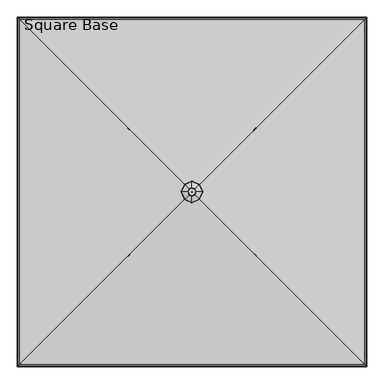
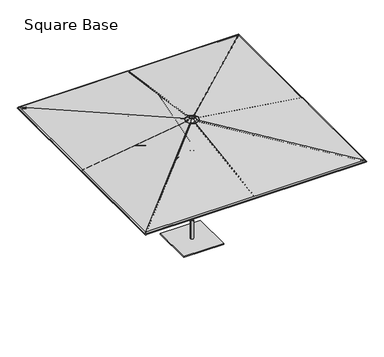
"""IFC4 building model written with IfcOpenShell, lengths in millimetres: furniture geometry, Square Base."""

from ifc_helpers import new_model, si_unit, point, frame, frame_2d, origin, origin_with_axes, place, context, project, spatial, polyline, circle_curve, ellipse_curve, trimmed, segment, composite_curve, outline, extrude, source, transform, mapped, element, save
from ifc_brep_helpers import plane_surface, cylinder_surface, revolved_surface, advanced_brep


def square_base_e6a05504(model_context):
    return source(origin(), model_context, "Body", "SolidModel", [
        extrude(outline(composite_curve([segment(polyline([(12.9834408, -8.4804821), (12.9834408, -22.8946349)]), True, "CONTINUOUS"), segment(trimmed(circle_curve(frame_2d((4.0299408, -22.8946349)), 8.9535), [point((12.9834408, -22.8946349))], [point((-4.9235592, -22.8946349))], False, "CARTESIAN"), True, "CONTINUOUS"), segment(polyline([(-4.9235592, -22.8946349), (-4.9235592, -8.4804821)]), True, "CONTINUOUS"), segment(trimmed(circle_curve(frame_2d((4.0299408, -8.4804821)), 8.9535), [point((-4.9235592, -8.4804821))], [point((12.9834408, -8.4804821))], False, "CARTESIAN"), True, "CONTINUOUS")], self_intersect=False)), frame((4.0299408, -69.1305274, 2310.8920368), z_axis=(0.0, -0.9563047559630357, 0.2923717047227364), x_axis=(-1.0, 0.0, 0.0)), (0.0, 0.0, 1.0), 1293.3560002),
        extrude(outline(composite_curve([segment(polyline([(12.9834408, -8.4804821), (12.9834408, -22.8946349)]), True, "CONTINUOUS"), segment(trimmed(circle_curve(frame_2d((4.0299408, -22.8946349)), 8.9535), [point((12.9834408, -22.8946349))], [point((-4.9235592, -22.8946349))], False, "CARTESIAN"), True, "CONTINUOUS"), segment(polyline([(-4.9235592, -22.8946349), (-4.9235592, -8.4804821)]), True, "CONTINUOUS"), segment(trimmed(circle_curve(frame_2d((4.0299408, -8.4804821)), 8.9535), [point((-4.9235592, -8.4804821))], [point((12.9834408, -8.4804821))], False, "CARTESIAN"), True, "CONTINUOUS")], self_intersect=False)), frame((-65.1005867, -8.0598816, 2310.8920368), z_axis=(-0.9563047559630357, 0.0, 0.2923717047227364), x_axis=(0.0, 1.0, 0.0)), (0.0, 0.0, 1.0), 1293.3560002),
        extrude(outline(composite_curve([segment(polyline([(12.9834408, -8.4804821), (12.9834408, -22.8946349)]), True, "CONTINUOUS"), segment(trimmed(circle_curve(frame_2d((4.0299408, -22.8946349)), 8.9535), [point((12.9834408, -22.8946349))], [point((-4.9235592, -22.8946349))], False, "CARTESIAN"), True, "CONTINUOUS"), segment(polyline([(-4.9235592, -22.8946349), (-4.9235592, -8.4804821)]), True, "CONTINUOUS"), segment(trimmed(circle_curve(frame_2d((4.0299408, -8.4804821)), 8.9535), [point((-4.9235592, -8.4804821))], [point((12.9834408, -8.4804821))], False, "CARTESIAN"), True, "CONTINUOUS")], self_intersect=False)), frame((-4.0299408, 61.0706459, 2310.8920368), z_axis=(0.0, 0.9563047559630357, 0.2923717047227364), x_axis=(1.0, 0.0, 0.0)), (0.0, 0.0, 1.0), 1293.3560002),
        extrude(outline(composite_curve([segment(trimmed(circle_curve(frame_2d((4.0299408, 7.3267917)), 8.9535), [point((12.9834408, 7.3267917))], [point((-4.9235592, 7.3267917))], False, "CARTESIAN"), True, "CONTINUOUS"), segment(polyline([(-4.9235592, 7.3267917), (-4.9235592, 21.7411303)]), True, "CONTINUOUS"), segment(trimmed(circle_curve(frame_2d((4.0299408, 21.7411303)), 8.9535), [point((-4.9235592, 21.7411303))], [point((12.9834408, 21.7411303))], False, "CARTESIAN"), True, "CONTINUOUS"), segment(polyline([(12.9834408, 21.7411303), (12.9834408, 7.3267917)]), True, "CONTINUOUS")], self_intersect=False)), frame((4.0299408, -2495.6912054, 2517.1977127), z_axis=(0.0, 0.9897424604574476, 0.14286308819158905), x_axis=(-1.0, 0.0, 0.0)), (0.0, 0.0, 1.0), 2438.4),
        extrude(outline(composite_curve([segment(trimmed(circle_curve(frame_2d((4.0299408, 7.3267917)), 8.9535), [point((12.9834408, 7.3267917))], [point((-4.9235592, 7.3267917))], False, "CARTESIAN"), True, "CONTINUOUS"), segment(polyline([(-4.9235592, 7.3267917), (-4.9235592, 21.7411303)]), True, "CONTINUOUS"), segment(trimmed(circle_curve(frame_2d((4.0299408, 21.7411303)), 8.9535), [point((-4.9235592, 21.7411303))], [point((12.9834408, 21.7411303))], False, "CARTESIAN"), True, "CONTINUOUS"), segment(polyline([(12.9834408, 21.7411303), (12.9834408, 7.3267917)]), True, "CONTINUOUS")], self_intersect=False)), frame((-2491.6612646, -8.0598816, 2517.1977127), z_axis=(0.9897424604574476, 0.0, 0.14286308819158905), x_axis=(0.0, 1.0, 0.0)), (0.0, 0.0, 1.0), 2438.4),
        extrude(outline(composite_curve([segment(trimmed(circle_curve(frame_2d((4.0299408, 7.3267917)), 8.9535), [point((12.9834408, 7.3267917))], [point((-4.9235592, 7.3267917))], False, "CARTESIAN"), True, "CONTINUOUS"), segment(polyline([(-4.9235592, 7.3267917), (-4.9235592, 21.7411303)]), True, "CONTINUOUS"), segment(trimmed(circle_curve(frame_2d((4.0299408, 21.7411303)), 8.9535), [point((-4.9235592, 21.7411303))], [point((12.9834408, 21.7411303))], False, "CARTESIAN"), True, "CONTINUOUS"), segment(polyline([(12.9834408, 21.7411303), (12.9834408, 7.3267917)]), True, "CONTINUOUS")], self_intersect=False)), frame((-4.0299408, 2487.6313238, 2517.1977127), z_axis=(0.0, -0.9897424604574476, 0.14286308819158905), x_axis=(1.0, 0.0, 0.0)), (0.0, 0.0, 1.0), 2438.4),
        extrude(outline(composite_curve([segment(trimmed(circle_curve(frame_2d((4.0299408, 7.3267917)), 8.9535), [point((12.9834408, 7.3267917))], [point((-4.9235592, 7.3267917))], False, "CARTESIAN"), True, "CONTINUOUS"), segment(polyline([(-4.9235592, 7.3267917), (-4.9235592, 21.7411303)]), True, "CONTINUOUS"), segment(trimmed(circle_curve(frame_2d((4.0299408, 21.7411303)), 8.9535), [point((-4.9235592, 21.7411303))], [point((12.9834408, 21.7411303))], False, "CARTESIAN"), True, "CONTINUOUS"), segment(polyline([(12.9834408, 21.7411303), (12.9834408, 7.3267917)]), True, "CONTINUOUS")], self_intersect=False)), frame((2491.6612646, 0.0, 2517.1977127), z_axis=(-0.9897424604574476, 0.0, 0.14286308819158905), x_axis=(0.0, -1.0, 0.0)), (0.0, 0.0, 1.0), 2438.4),
        extrude(outline(composite_curve([segment(polyline([(12.9834408, -8.4804821), (12.9834408, -22.8946349)]), True, "CONTINUOUS"), segment(trimmed(circle_curve(frame_2d((4.0299408, -22.8946349)), 8.9535), [point((12.9834408, -22.8946349))], [point((-4.9235592, -22.8946349))], False, "CARTESIAN"), True, "CONTINUOUS"), segment(polyline([(-4.9235592, -22.8946349), (-4.9235592, -8.4804821)]), True, "CONTINUOUS"), segment(trimmed(circle_curve(frame_2d((4.0299408, -8.4804821)), 8.9535), [point((-4.9235592, -8.4804821))], [point((12.9834408, -8.4804821))], False, "CARTESIAN"), True, "CONTINUOUS")], self_intersect=False)), frame((65.1005867, 0.0, 2310.8920368), z_axis=(0.9563047559630357, 0.0, 0.2923717047227364), x_axis=(0.0, -1.0, 0.0)), (0.0, 0.0, 1.0), 1293.3560002),
        extrude(outline(composite_curve([segment(trimmed(circle_curve(frame_2d((-0.4115857, 9.2017124)), 8.947892), [point((8.536306, 9.1998753))], [point((-9.3594776, 9.2035513))], False, "CARTESIAN"), True, "CONTINUOUS"), segment(polyline([(-9.3594776, 9.2035513), (-9.3566119, 23.1461249)]), True, "CONTINUOUS"), segment(trimmed(circle_curve(frame_2d((-0.4087215, 23.1461249)), 8.9478905), [point((-9.3566119, 23.1461249))], [point((8.539169, 23.1457573))], False, "CARTESIAN"), True, "CONTINUOUS"), segment(polyline([(8.539169, 23.1457573), (8.536306, 9.1998753)]), True, "CONTINUOUS")], self_intersect=False)), frame((43.0226256, -47.0678655, 2309.5293051), z_axis=(0.6687574107704106, -0.6689952252123499, 0.3243592363148204), x_axis=(0.7072324735233253, 0.7069810665032544, 0.0)), (0.0, 0.0, 1.0), 1323.4039678),
        extrude(outline(composite_curve([segment(trimmed(circle_curve(frame_2d((-0.4115857, 9.2017124)), 8.947892), [point((8.536306, 9.1998755))], [point((-9.3594774, 9.2035514))], False, "CARTESIAN"), True, "CONTINUOUS"), segment(polyline([(-9.3594774, 9.2035514), (-9.3566116, 23.1461249)]), True, "CONTINUOUS"), segment(trimmed(circle_curve(frame_2d((-0.4087214, 23.1461249)), 8.9478901), [point((-9.3566116, 23.1461249))], [point((8.5391687, 23.1457573))], False, "CARTESIAN"), True, "CONTINUOUS"), segment(polyline([(8.5391687, 23.1457573), (8.536306, 9.1998755)]), True, "CONTINUOUS")], self_intersect=False)), frame((-43.0379247, -47.0525663, 2309.5293051), z_axis=(-0.6689952252123578, -0.6687574107704027, 0.32435923631482055), x_axis=(0.7069810665032461, -0.7072324735233336, 0.0)), (0.0, 0.0, 1.0), 1323.4039678),
        extrude(outline(composite_curve([segment(trimmed(circle_curve(frame_2d((-0.4115858, 9.2017124)), 8.947892), [point((8.536306, 9.1998755))], [point((-9.3594776, 9.2035514))], False, "CARTESIAN"), True, "CONTINUOUS"), segment(polyline([(-9.3594776, 9.2035514), (-9.3566116, 23.1461249)]), True, "CONTINUOUS"), segment(trimmed(circle_curve(frame_2d((-0.4087215, 23.1461249)), 8.9478901), [point((-9.3566116, 23.1461249))], [point((8.5391686, 23.1457573))], False, "CARTESIAN"), True, "CONTINUOUS"), segment(polyline([(8.5391686, 23.1457573), (8.536306, 9.1998755)]), True, "CONTINUOUS")], self_intersect=False)), frame((-43.0226256, 39.0079839, 2309.5293051), z_axis=(-0.6687574107704083, 0.6689952252123523, 0.3243592363148205), x_axis=(-0.7072324735233279, -0.7069810665032519, 0.0)), (0.0, 0.0, 1.0), 1323.4039678),
        extrude(outline(composite_curve([segment(trimmed(circle_curve(frame_2d((-0.4115857, 9.2017124)), 8.947892), [point((8.536306, 9.1998755))], [point((-9.3594775, 9.2035515))], False, "CARTESIAN"), True, "CONTINUOUS"), segment(polyline([(-9.3594775, 9.2035515), (-9.3566116, 23.1461249)]), True, "CONTINUOUS"), segment(trimmed(circle_curve(frame_2d((-0.4087215, 23.1461249)), 8.9478901), [point((-9.3566116, 23.1461249))], [point((8.5391687, 23.1457573))], False, "CARTESIAN"), True, "CONTINUOUS"), segment(polyline([(8.5391687, 23.1457573), (8.536306, 9.1998755)]), True, "CONTINUOUS")], self_intersect=False)), frame((43.0379247, 38.9926848, 2309.5293051), z_axis=(0.6689952252123469, 0.6687574107704137, 0.32435923631482044), x_axis=(-0.7069810665032576, 0.7072324735233221, 0.0)), (0.0, 0.0, 1.0), 1323.4039678),
        extrude(outline(composite_curve([segment(trimmed(circle_curve(frame_2d((0.0454336, -8.9661607)), 8.9535016), [point((-8.9080678, -8.9644053))], [point((8.9989351, -8.9679162))], False, "CARTESIAN"), True, "CONTINUOUS"), segment(polyline([(8.9989351, -8.9679162), (8.9961217, -23.3170803)]), True, "CONTINUOUS"), segment(trimmed(circle_curve(frame_2d((0.0426202, -23.3153248)), 8.9535016), [point((8.9961217, -23.3170803))], [point((-8.9108812, -23.3135694))], False, "CARTESIAN"), True, "CONTINUOUS"), segment(polyline([(-8.9108812, -23.3135694), (-8.9080678, -8.9644053)]), True, "CONTINUOUS")], self_intersect=False)), frame((2490.2990587, -2494.7117684, 2516.4579625), z_axis=(-0.7035386895698269, 0.7035386895699227, 0.10033256976977586), x_axis=(0.7071067811865956, 0.7071067811864994, 0.0)), (0.0, 0.0, 1.0), 3457.2861455),
        extrude(outline(composite_curve([segment(trimmed(circle_curve(frame_2d((0.0454336, -8.9661607)), 8.9535016), [point((-8.9080679, -8.9644053))], [point((8.9989351, -8.9679162))], False, "CARTESIAN"), True, "CONTINUOUS"), segment(polyline([(8.9989351, -8.9679162), (8.9961217, -23.3170803)]), True, "CONTINUOUS"), segment(trimmed(circle_curve(frame_2d((0.0426202, -23.3153248)), 8.9535016), [point((8.9961217, -23.3170803))], [point((-8.9108812, -23.3135694))], False, "CARTESIAN"), True, "CONTINUOUS"), segment(polyline([(-8.9108812, -23.3135694), (-8.9080679, -8.9644053)]), True, "CONTINUOUS")], self_intersect=False)), frame((-2490.6818276, -2494.3289995, 2516.4579625), z_axis=(0.7035386895699309, 0.7035386895698185, 0.10033256976977578), x_axis=(0.7071067811864911, -0.7071067811866041, 0.0)), (0.0, 0.0, 1.0), 3457.2861455),
        extrude(outline(composite_curve([segment(trimmed(circle_curve(frame_2d((0.0454337, -8.9661607)), 8.9535016), [point((-8.9080678, -8.9644053))], [point((8.9989351, -8.9679162))], False, "CARTESIAN"), True, "CONTINUOUS"), segment(polyline([(8.9989351, -8.9679162), (8.9961217, -23.3170803)]), True, "CONTINUOUS"), segment(trimmed(circle_curve(frame_2d((0.0426203, -23.3153248)), 8.9535016), [point((8.9961217, -23.3170803))], [point((-8.9108811, -23.3135694))], False, "CARTESIAN"), True, "CONTINUOUS"), segment(polyline([(-8.9108811, -23.3135694), (-8.9080678, -8.9644053)]), True, "CONTINUOUS")], self_intersect=False)), frame((-2490.2990587, 2486.6518869, 2516.4579625), z_axis=(0.7035386895698243, -0.7035386895699253, 0.10033256976977584), x_axis=(-0.7071067811865983, -0.7071067811864968, 0.0)), (0.0, 0.0, 1.0), 3457.2861455),
        extrude(outline(composite_curve([segment(trimmed(circle_curve(frame_2d((0.0454337, -8.9661607)), 8.9535016), [point((-8.9080679, -8.9644053))], [point((8.9989351, -8.9679162))], False, "CARTESIAN"), True, "CONTINUOUS"), segment(polyline([(8.9989351, -8.9679162), (8.9961217, -23.3170803)]), True, "CONTINUOUS"), segment(trimmed(circle_curve(frame_2d((0.0426202, -23.3153248)), 8.9535016), [point((8.9961217, -23.3170803))], [point((-8.9108812, -23.3135694))], False, "CARTESIAN"), True, "CONTINUOUS"), segment(polyline([(-8.9108812, -23.3135694), (-8.9080679, -8.9644053)]), True, "CONTINUOUS")], self_intersect=False)), frame((2490.6818276, 2486.2691179, 2516.4579625), z_axis=(-0.7035386895699195, -0.7035386895698301, 0.10033256976977584), x_axis=(-0.7071067811865026, 0.7071067811865924, 0.0)), (0.0, 0.0, 1.0), 3457.2861455),
        advanced_brep(
        [(-40.867282, -4.0299408, 2871.385269), (40.867282, -4.0299408, 2871.385269), (40.867282, -4.0299408, 2334.4822151), (-40.867282, -4.0299408, 2334.4822151), (0.0, -4.0299408, 2871.385269), (0.0, -4.0299408, 2334.4822151)],
        [
            (0, 1, circle_curve(frame((0.0, -4.0299408, 2871.385269), z_axis=(0.0, 0.0, -1.0), x_axis=(1.0, 0.0, 0.0)), 40.867282)),
            (1, 2),
            (2, 3, circle_curve(frame((0.0, -4.0299408, 2334.4822151), z_axis=(0.0, 0.0, 1.0), x_axis=(1.0, 0.0, 0.0)), 40.867282)),
            (3, 0),
            (1, 0, circle_curve(frame((0.0, -4.0299408, 2871.385269), z_axis=(0.0, 0.0, -1.0), x_axis=(1.0, 0.0, 0.0)), 40.867282)),
            (3, 2, circle_curve(frame((0.0, -4.0299408, 2334.4822151), z_axis=(0.0, 0.0, 1.0), x_axis=(1.0, 0.0, 0.0)), 40.867282)),
            (4, 1),
            (0, 4),
            (2, 5),
            (5, 3),
        ],
        [
            cylinder_surface(frame((0.0, -4.0299408, 3090.2909748), z_axis=(0.0, 0.0, 1.0), x_axis=(1.0, 0.0, 0.0)), 40.867282),
            plane_surface(frame((0.0, -4.0299408, 2871.385269), z_axis=(0.0, 0.0, 1.0), x_axis=(1.0, 0.0, 0.0))),
            plane_surface(frame((0.0, -4.0299408, 2334.4822151), z_axis=(0.0, 0.0, -1.0), x_axis=(1.0, 0.0, 0.0))),
        ],
        [
            (0, [[1, 2, 3, 4]]),
            (0, [[5, -4, 6, -2]]),
            (1, [[7, -1, 8]]),
            (1, [[-8, -5, -7]]),
            (2, [[-3, 9, 10]]),
            (2, [[-6, -10, -9]]),
        ],
    ),
        advanced_brep(
        [(-58.7349315, -4.0299408, 2310.098093), (58.7349315, -4.0299408, 2310.098093), (51.3054317, -4.0299408, 2292.3499031), (-51.3054317, -4.0299408, 2292.3499031), (-58.7349315, -4.0299408, 2335.4981415), (58.7349315, -4.0299408, 2335.4981415), (0.0, -4.0299408, 2335.4981415), (-50.392282, -4.0299408, 2165.3499516), (50.392282, -4.0299408, 2165.3499516), (0.0, -4.0299408, 2165.3499516), (-58.2510683, -4.0299408, 2171.6998547), (58.2510683, -4.0299408, 2171.6998547), (-44.8554107, -4.0299408, 2292.3499031), (44.8554107, -4.0299408, 2292.3499031)],
        [
            (0, 1, circle_curve(frame((0.0, -4.0299408, 2310.098093), z_axis=(0.0, 0.0, -1.0), x_axis=(1.0, 0.0, 0.0)), 58.7349315)),
            (1, 2, circle_curve(frame((43.6558497, -4.0299408, 2305.9811762), z_axis=(0.0, 1.0, 0.0), x_axis=(1.0, 0.0, 0.0)), 15.6309856)),
            (2, 3, circle_curve(frame((0.0, -4.0299408, 2292.3499031), z_axis=(0.0, 0.0, 1.0), x_axis=(1.0, 0.0, 0.0)), 51.3054317)),
            (3, 0, circle_curve(frame((-43.6558497, -4.0299408, 2305.9811762), z_axis=(0.0, 1.0, 0.0), x_axis=(-1.0, 0.0, 0.0)), 15.6309856)),
            (1, 0, circle_curve(frame((0.0, -4.0299408, 2310.098093), z_axis=(0.0, 0.0, -1.0), x_axis=(1.0, 0.0, 0.0)), 58.7349315)),
            (3, 2, circle_curve(frame((0.0, -4.0299408, 2292.3499031), z_axis=(0.0, 0.0, 1.0), x_axis=(1.0, 0.0, 0.0)), 51.3054317)),
            (4, 5, circle_curve(frame((0.0, -4.0299408, 2335.4981415), z_axis=(0.0, 0.0, -1.0), x_axis=(1.0, 0.0, 0.0)), 58.7349315)),
            (5, 1, circle_curve(frame((52.8666055, -4.0299408, 2322.7981173), z_axis=(0.0, 1.0, 0.0), x_axis=(1.0, 0.0, 0.0)), 13.9902775)),
            (0, 4, circle_curve(frame((-52.8666055, -4.0299408, 2322.7981173), z_axis=(0.0, 1.0, 0.0), x_axis=(-1.0, 0.0, 0.0)), 13.9902775)),
            (5, 4, circle_curve(frame((0.0, -4.0299408, 2335.4981415), z_axis=(0.0, 0.0, -1.0), x_axis=(1.0, 0.0, 0.0)), 58.7349315)),
            (6, 5),
            (4, 6),
            (7, 8, circle_curve(frame((0.0, -4.0299408, 2165.3499516), z_axis=(0.0, 0.0, -1.0), x_axis=(1.0, 0.0, 0.0)), 50.392282)),
            (8, 9),
            (9, 7),
            (8, 7, circle_curve(frame((0.0, -4.0299408, 2165.3499516), z_axis=(0.0, 0.0, -1.0), x_axis=(1.0, 0.0, 0.0)), 50.392282)),
            (10, 11, circle_curve(frame((0.0, -4.0299408, 2171.6998547), z_axis=(0.0, 0.0, -1.0), x_axis=(1.0, 0.0, 0.0)), 58.2510683)),
            (11, 8),
            (7, 10),
            (11, 10, circle_curve(frame((0.0, -4.0299408, 2171.6998547), z_axis=(0.0, 0.0, -1.0), x_axis=(1.0, 0.0, 0.0)), 58.2510683)),
            (12, 13, circle_curve(frame((0.0, -4.0299408, 2292.3499031), z_axis=(0.0, 0.0, -1.0), x_axis=(1.0, 0.0, 0.0)), 44.8554107)),
            (13, 11),
            (10, 12),
            (13, 12, circle_curve(frame((0.0, -4.0299408, 2292.3499031), z_axis=(0.0, 0.0, -1.0), x_axis=(1.0, 0.0, 0.0)), 44.8554107)),
            (2, 13),
            (12, 3),
        ],
        [
            revolved_surface(trimmed(ellipse_curve(frame((43.6558497, -4.0299408, 2305.9811762), z_axis=(0.0, -1.0, 0.0), x_axis=(1.0, 0.0, 0.0)), 15.6309856, 15.6309856), [point((51.3054317, -4.0299408, 2292.3499031))], [point((58.7349315, -4.0299408, 2310.098093))], True, "CARTESIAN"), (0.0, -4.0299408, 2404.1943844), (0.0, 0.0, 1.0)),
            revolved_surface(trimmed(ellipse_curve(frame((52.8666055, -4.0299408, 2322.7981173), z_axis=(0.0, -1.0, 0.0), x_axis=(1.0, 0.0, 0.0)), 13.9902775, 13.9902775), [point((58.7349315, -4.0299408, 2310.098093))], [point((58.7349315, -4.0299408, 2335.4981415))], True, "CARTESIAN"), (0.0, -4.0299408, 2404.1943844), (0.0, 0.0, 1.0)),
            plane_surface(frame((0.0, -4.0299408, 2335.4981415), z_axis=(0.0, 0.0, 1.0), x_axis=(1.0, 0.0, 0.0))),
            plane_surface(frame((0.0, -4.0299408, 2165.3499516), z_axis=(0.0, 0.0, -1.0), x_axis=(1.0, 0.0, 0.0))),
            revolved_surface(polyline([(50.392282, -4.0299408, 2165.3499516), (58.2510683, -4.0299408, 2171.6998547)]), (0.0, -4.0299408, 2404.1943844), (0.0, 0.0, 1.0)),
            revolved_surface(polyline([(58.2510683, -4.0299408, 2171.6998547), (44.8554107, -4.0299408, 2292.3499031)]), (0.0, -4.0299408, 2404.1943844), (0.0, 0.0, 1.0)),
            plane_surface(frame((0.0, -4.0299408, 2292.3499031), z_axis=(0.0, 0.0, -1.0), x_axis=(1.0, 0.0, 0.0))),
        ],
        [
            (0, [[1, 2, 3, 4]]),
            (0, [[5, -4, 6, -2]]),
            (1, [[7, 8, -1, 9]]),
            (1, [[10, -9, -5, -8]]),
            (2, [[11, -7, 12]]),
            (2, [[-12, -10, -11]]),
            (3, [[13, 14, 15]]),
            (3, [[16, -15, -14]]),
            (4, [[17, 18, -13, 19]]),
            (4, [[20, -19, -16, -18]]),
            (5, [[21, 22, -17, 23]]),
            (5, [[24, -23, -20, -22]]),
            (6, [[-3, 25, -21, 26]]),
            (6, [[-6, -26, -24, -25]]),
        ],
    ),
        advanced_brep(
        [(-85.5307046, -4.0299408, 2870.2), (85.5307046, -4.0299408, 2870.2), (0.0, -4.0299408, 2870.2), (-85.5307046, -4.0299408, 2895.6), (85.5307046, -4.0299408, 2895.6), (0.0, -4.0299408, 2895.6)],
        [
            (0, 1, circle_curve(frame((0.0, -4.0299408, 2870.2), z_axis=(0.0, 0.0, -1.0), x_axis=(1.0, 0.0, 0.0)), 85.5307046)),
            (1, 2),
            (2, 0),
            (1, 0, circle_curve(frame((0.0, -4.0299408, 2870.2), z_axis=(0.0, 0.0, -1.0), x_axis=(1.0, 0.0, 0.0)), 85.5307046)),
            (3, 4, circle_curve(frame((0.0, -4.0299408, 2895.6), z_axis=(0.0, 0.0, -1.0), x_axis=(1.0, 0.0, 0.0)), 85.5307046)),
            (4, 1, circle_curve(frame((85.5307046, -4.0299408, 2882.9), z_axis=(0.0, 1.0, 0.0), x_axis=(1.0, 0.0, 0.0)), 12.7)),
            (0, 3, circle_curve(frame((-85.5307046, -4.0299408, 2882.9), z_axis=(0.0, 1.0, 0.0), x_axis=(-1.0, 0.0, 0.0)), 12.7)),
            (4, 3, circle_curve(frame((0.0, -4.0299408, 2895.6), z_axis=(0.0, 0.0, -1.0), x_axis=(1.0, 0.0, 0.0)), 85.5307046)),
            (5, 4),
            (3, 5),
        ],
        [
            plane_surface(frame((0.0, -4.0299408, 2870.2), z_axis=(0.0, 0.0, -1.0), x_axis=(1.0, 0.0, 0.0))),
            revolved_surface(trimmed(ellipse_curve(frame((85.5307046, -4.0299408, 2882.9), z_axis=(0.0, -1.0, 0.0), x_axis=(1.0, 0.0, 0.0)), 12.7, 12.7), [point((85.5307046, -4.0299408, 2870.2))], [point((85.5307046, -4.0299408, 2895.6))], True, "CARTESIAN"), (0.0, -4.0299408, 2876.5500484), (0.0, 0.0, 1.0)),
            plane_surface(frame((0.0, -4.0299408, 2895.6), z_axis=(0.0, 0.0, 1.0), x_axis=(1.0, 0.0, 0.0))),
        ],
        [
            (0, [[1, 2, 3]]),
            (0, [[4, -3, -2]]),
            (1, [[5, 6, -1, 7]]),
            (1, [[8, -7, -4, -6]]),
            (2, [[9, -5, 10]]),
            (2, [[-10, -8, -9]]),
        ],
    ),
        advanced_brep(
        [(51.4758641, -4.0299408, 2941.1390808), (35.9138192, 31.8838784, 2941.1390808), (0.0, 47.4459233, 2941.1390808), (-35.9138192, 31.8838784, 2941.1390808), (-51.4758641, -4.0299408, 2941.1390808), (-35.9138192, -39.94376, 2941.1390808), (0.0, -55.5058049, 2941.1390808), (35.9138192, -39.94376, 2941.1390808), (-0.2799193, -3.7500215, 2941.1390808), (0.0, -3.6287279, 2941.1390808), (0.2799193, -3.7500215, 2941.1390808), (0.4012128, -4.0299408, 2941.1390808), (0.2799193, -4.30986, 2941.1390808), (0.0, -4.4311536, 2941.1390808), (-0.2799193, -4.30986, 2941.1390808), (-0.4012128, -4.0299408, 2941.1390808), (-19.7877165, 15.7577757, 2926.6210691), (0.0, 24.3321167, 2926.6210691), (19.7877165, 15.7577757, 2926.6210691), (28.3620575, -4.0299408, 2926.6210691), (19.7877165, -23.8176572, 2926.6210691), (0.0, -32.3919982, 2926.6210691), (-19.7877165, -23.8176572, 2926.6210691), (-28.3620575, -4.0299408, 2926.6210691), (0.4012128, -4.0299408, 2926.6210691), (0.2799193, -3.7500215, 2926.6210691), (0.0, -3.6287279, 2926.6210691), (-0.2799193, -3.7500215, 2926.6210691), (-0.4012128, -4.0299408, 2926.6210691), (-0.2799193, -4.30986, 2926.6210691), (0.0, -4.4311536, 2926.6210691), (0.2799193, -4.30986, 2926.6210691), (-106.9123029, 102.8823621, 2893.6969352), (-153.2391514, -4.0299408, 2893.6969352), (-106.9123029, -110.9422437, 2893.6969352), (0.0, -157.2690921, 2893.6969352), (106.9123029, -110.9422437, 2893.6969352), (153.2391514, -4.0299408, 2893.6969352), (106.9123029, 102.8823621, 2893.6969352), (0.0, 149.2092106, 2893.6969352), (-107.6794299, 103.6494891, 2896.2723479), (-154.338687, -4.0299408, 2896.2723479), (-43.6583603, 39.6284195, 2938.7170186), (-62.5762415, -4.0299408, 2938.7170186), (-107.6794299, -111.7093707, 2896.2723479), (-43.6583603, -47.6883011, 2938.7170186), (0.0, -158.3686278, 2896.2723479), (0.0, -66.6061823, 2938.7170186), (107.6794299, -111.7093707, 2896.2723479), (43.6583603, -47.6883011, 2938.7170186), (154.338687, -4.0299408, 2896.2723479), (62.5762415, -4.0299408, 2938.7170186), (107.6794299, 103.6494891, 2896.2723479), (43.6583603, 39.6284195, 2938.7170186), (0.0, 150.3087462, 2896.2723479), (0.0, 58.5463007, 2938.7170186)],
        [
            (0, 1),
            (1, 2),
            (2, 3),
            (3, 4),
            (4, 5),
            (5, 6),
            (6, 7),
            (7, 0),
            (8, 9),
            (9, 10),
            (10, 11),
            (11, 12),
            (12, 13),
            (13, 14),
            (14, 15),
            (15, 8),
            (16, 17),
            (17, 18),
            (18, 19),
            (19, 20),
            (20, 21),
            (21, 22),
            (22, 23),
            (23, 16),
            (24, 25),
            (25, 26),
            (26, 27),
            (27, 28),
            (28, 29),
            (29, 30),
            (30, 31),
            (31, 24),
            (27, 8),
            (15, 28),
            (14, 29),
            (13, 30),
            (12, 31),
            (11, 24),
            (10, 25),
            (9, 26),
            (32, 16),
            (23, 33),
            (33, 32),
            (22, 34),
            (34, 33),
            (21, 35),
            (35, 34),
            (20, 36),
            (36, 35),
            (19, 37),
            (37, 36),
            (18, 38),
            (38, 37),
            (17, 39),
            (39, 38),
            (32, 39),
            (40, 32, ellipse_curve(frame((-107.203988, 103.1740472, 2895.0319772), z_axis=(-0.7071067811865479, -0.707106781186547, 0.0), x_axis=(-0.7071067811865467, 0.7071067811865482, 0.0)), 1.4936871, 1.3890625)),
            (33, 41, ellipse_curve(frame((-153.6572284, -4.0299408, 2895.0319772), z_axis=(0.0, 0.9999999999999999, 0.0), x_axis=(1.0, 0.0, 0.0)), 1.5138634, 1.3890625)),
            (41, 40),
            (42, 40),
            (41, 43),
            (43, 42),
            (3, 42, ellipse_curve(frame((-35.9138192, 31.8838784, 2918.5124425), z_axis=(-0.7071067811865479, -0.707106781186547, 0.0), x_axis=(-0.7071067811865467, 0.7071067811865483, 0.0)), 24.3308838, 22.6266383)),
            (43, 4, ellipse_curve(frame((-51.4758641, -4.0299408, 2918.5124425), z_axis=(0.0, 0.9999999999999999, 0.0), x_axis=(1.0, 0.0, 0.0)), 24.6595383, 22.6266383)),
            (34, 44, ellipse_curve(frame((-107.203988, -111.2339288, 2895.0319772), z_axis=(-0.707106781186547, 0.707106781186548, 0.0), x_axis=(0.7071067811865479, 0.707106781186547, 0.0)), 1.4936871, 1.3890625)),
            (44, 41),
            (44, 45),
            (45, 43),
            (45, 5, ellipse_curve(frame((-35.9138192, -39.94376, 2918.5124425), z_axis=(-0.707106781186547, 0.707106781186548, 0.0), x_axis=(0.7071067811865479, 0.707106781186547, 0.0)), 24.3308838, 22.6266383)),
            (35, 46, ellipse_curve(frame((0.0, -157.6871692, 2895.0319772), z_axis=(-0.9999999999999999, 0.0, 0.0), x_axis=(0.0, 1.0, 0.0)), 1.5138634, 1.3890625)),
            (46, 44),
            (46, 47),
            (47, 45),
            (47, 6, ellipse_curve(frame((0.0, -55.5058049, 2918.5124425), z_axis=(-0.9999999999999999, 0.0, 0.0), x_axis=(0.0, 1.0, 0.0)), 24.6595383, 22.6266383)),
            (36, 48, ellipse_curve(frame((107.203988, -111.2339288, 2895.0319772), z_axis=(-0.707106781186548, -0.707106781186547, 0.0), x_axis=(-0.7071067811865469, 0.7071067811865481, 0.0)), 1.4936871, 1.3890625)),
            (48, 46),
            (48, 49),
            (49, 47),
            (49, 7, ellipse_curve(frame((35.9138192, -39.94376, 2918.5124425), z_axis=(-0.707106781186548, -0.707106781186547, 0.0), x_axis=(-0.7071067811865469, 0.7071067811865481, 0.0)), 24.3308838, 22.6266383)),
            (37, 50, ellipse_curve(frame((153.6572284, -4.0299408, 2895.0319772), z_axis=(0.0, -1.0, 0.0), x_axis=(-1.0, 0.0, 0.0)), 1.5138634, 1.3890625)),
            (50, 48),
            (50, 51),
            (51, 49),
            (51, 0, ellipse_curve(frame((51.4758641, -4.0299408, 2918.5124425), z_axis=(0.0, -1.0, 0.0), x_axis=(-1.0, 0.0, 0.0)), 24.6595383, 22.6266383)),
            (38, 52, ellipse_curve(frame((107.203988, 103.1740472, 2895.0319772), z_axis=(0.707106781186547, -0.707106781186548, 0.0), x_axis=(-0.7071067811865478, -0.7071067811865471, 0.0)), 1.4936871, 1.3890625)),
            (52, 50),
            (52, 53),
            (53, 51),
            (53, 1, ellipse_curve(frame((35.9138192, 31.8838784, 2918.5124425), z_axis=(0.707106781186547, -0.707106781186548, 0.0), x_axis=(-0.7071067811865478, -0.7071067811865471, 0.0)), 24.3308838, 22.6266383)),
            (39, 54, ellipse_curve(frame((0.0, 149.6272876, 2895.0319772), z_axis=(0.9999999999999999, 0.0, 0.0), x_axis=(0.0, -1.0, 0.0)), 1.5138634, 1.3890625)),
            (54, 52),
            (54, 55),
            (55, 53),
            (55, 2, ellipse_curve(frame((0.0, 47.4459233, 2918.5124425), z_axis=(0.9999999999999999, 0.0, 0.0), x_axis=(0.0, -1.0, 0.0)), 24.6595383, 22.6266383)),
            (40, 54),
            (42, 55),
        ],
        [
            plane_surface(frame((0.0, 47.4459233, 2941.1390808), z_axis=(0.0, 0.0, 1.0), x_axis=(-0.9175613115760064, -0.39759431522460054, 0.0))),
            plane_surface(frame((0.0, -3.6287279, 2926.6210691), z_axis=(0.0, 0.0, -1.0000000000000002), x_axis=(-0.9175613115760258, -0.39759431522455585, 0.0))),
            plane_surface(frame((-0.2799193, -3.7500215, 2941.1390808), z_axis=(0.917561311576014, -0.3975943152245832, 0.0), x_axis=(-0.3975943152245832, -0.917561311576014, 0.0))),
            plane_surface(frame((-0.4012128, -4.0299408, 2941.1390808), z_axis=(0.9175613115760329, 0.3975943152245392, 0.0), x_axis=(0.3975943152245392, -0.9175613115760329, 0.0))),
            plane_surface(frame((-0.2799193, -4.30986, 2941.1390808), z_axis=(0.3975943152245435, 0.917561311576031, 0.0), x_axis=(0.917561311576031, -0.3975943152245435, 0.0))),
            plane_surface(frame((0.0, -4.4311536, 2941.1390808), z_axis=(-0.39759431522444033, 0.9175613115760758, 0.0), x_axis=(0.9175613115760758, 0.39759431522444033, 0.0))),
            plane_surface(frame((0.2799193, -4.30986, 2941.1390808), z_axis=(-0.9175613115760277, 0.39759431522455124, 0.0), x_axis=(0.39759431522455124, 0.9175613115760277, 0.0))),
            plane_surface(frame((0.4012128, -4.0299408, 2941.1390808), z_axis=(-0.9175613115760077, -0.39759431522459737, 0.0), x_axis=(-0.39759431522459737, 0.9175613115760077, 0.0))),
            plane_surface(frame((0.2799193, -3.7500215, 2941.1390808), z_axis=(-0.3975943152245927, -0.9175613115760097, 0.0), x_axis=(-0.9175613115760097, 0.3975943152245927, 0.0))),
            plane_surface(frame((0.0, -3.6287279, 2941.1390808), z_axis=(0.3975943152245838, -0.9175613115760136, 0.0), x_axis=(-0.9175613115760136, -0.3975943152245838, 0.0))),
            plane_surface(frame((-19.7877165, 15.7577757, 2926.6210691), z_axis=(0.2533988855278374, -0.10980187928485051, -0.9611100624375781), x_axis=(-0.39759431522460154, -0.917561311576006, 0.0))),
            plane_surface(frame((-28.3620575, -4.0299408, 2926.6210691), z_axis=(0.25339888552783774, 0.10980187928484993, -0.9611100624375781), x_axis=(0.3975943152245993, -0.917561311576007, 0.0))),
            plane_surface(frame((-19.7877165, -23.8176572, 2926.6210691), z_axis=(0.10980187928485025, 0.2533988855278376, -0.9611100624375781), x_axis=(0.9175613115760064, -0.3975943152246005, 0.0))),
            plane_surface(frame((0.0, -32.3919982, 2926.6210691), z_axis=(-0.10980187928485025, 0.2533988855278376, -0.9611100624375781), x_axis=(0.9175613115760064, 0.3975943152246005, 0.0))),
            plane_surface(frame((19.7877165, -23.8176572, 2926.6210691), z_axis=(-0.2533988855278375, 0.10980187928485045, -0.9611100624375781), x_axis=(0.39759431522460126, 0.9175613115760061, 0.0))),
            plane_surface(frame((28.3620575, -4.0299408, 2926.6210691), z_axis=(-0.25339888552783774, -0.1098018792848498, -0.9611100624375781), x_axis=(-0.397594315224599, 0.9175613115760071, 0.0))),
            plane_surface(frame((19.7877165, 15.7577757, 2926.6210691), z_axis=(-0.10980187928485026, -0.25339888552783746, -0.9611100624375781), x_axis=(-0.9175613115760063, 0.3975943152246007, 0.0))),
            plane_surface(frame((0.0, 24.3321167, 2926.6210691), z_axis=(0.1098018792848501, -0.2533988855278375, -0.961110062437578), x_axis=(-0.9175613115760065, -0.39759431522460015, 0.0))),
            cylinder_surface(frame((-107.3260139, 102.892438, 2895.0319772), z_axis=(0.3975943152246023, 0.9175613115760056, 0.0), x_axis=(0.9175613115760056, -0.3975943152246023, 0.0)), 1.3890625),
            plane_surface(frame((-107.6794299, 103.6494891, 2896.2723478), z_axis=(-0.4130359930210966, 0.17897524747012963, 0.8929552784222078), x_axis=(-0.39759431522460215, -0.9175613115760056, 0.0))),
            cylinder_surface(frame((-21.2976063, 65.6149227, 2918.5124425), z_axis=(0.39759431522460237, 0.9175613115760056, 0.0), x_axis=(0.9175613115760056, -0.39759431522460237, 0.0)), 22.6266383),
            cylinder_surface(frame((-153.5234893, -4.3385816, 2895.0319772), z_axis=(-0.39759431522459965, 0.9175613115760068, 0.0), x_axis=(0.9175613115760068, 0.39759431522459965, 0.0)), 1.3890625),
            plane_surface(frame((-154.338687, -4.0299408, 2896.2723478), z_axis=(-0.41303599302109706, -0.17897524747012847, 0.8929552784222078), x_axis=(0.3975943152245996, -0.9175613115760067, 0.0))),
            cylinder_surface(frame((-67.4950817, 32.9389337, 2918.5124425), z_axis=(-0.39759431522459965, 0.9175613115760068, 0.0), x_axis=(0.9175613115760068, 0.39759431522459965, 0.0)), 22.6266383),
            cylinder_surface(frame((-106.9223788, -111.3559546, 2895.0319772), z_axis=(-0.9175613115760063, 0.3975943152246009, 0.0), x_axis=(0.3975943152246009, 0.9175613115760063, 0.0)), 1.3890625),
            plane_surface(frame((-107.6794299, -111.7093706, 2896.2723478), z_axis=(-0.17897524747012905, -0.4130359930210967, 0.8929552784222079), x_axis=(0.9175613115760062, -0.3975943152246009, 0.0))),
            cylinder_surface(frame((-69.6448635, -25.3275471, 2918.5124425), z_axis=(-0.9175613115760063, 0.3975943152246009, 0.0), x_axis=(0.3975943152246009, 0.9175613115760063, 0.0)), 22.6266383),
            cylinder_surface(frame((0.3086408, -157.5534301, 2895.0319772), z_axis=(-0.9175613115760062, -0.3975943152246011, 0.0), x_axis=(-0.3975943152246011, 0.9175613115760062, 0.0)), 1.3890625),
            plane_surface(frame((0.0, -158.3686278, 2896.2723478), z_axis=(0.17897524747012905, -0.4130359930210967, 0.8929552784222079), x_axis=(0.9175613115760062, 0.397594315224601, 0.0))),
            cylinder_surface(frame((-36.9688745, -71.5250225, 2918.5124425), z_axis=(-0.9175613115760062, -0.3975943152246011, 0.0), x_axis=(-0.3975943152246011, 0.9175613115760062, 0.0)), 22.6266383),
            cylinder_surface(frame((107.3260139, -110.9523195, 2895.0319772), z_axis=(-0.3975943152246023, -0.9175613115760057, 0.0), x_axis=(-0.9175613115760057, 0.3975943152246023, 0.0)), 1.3890625),
            plane_surface(frame((107.6794299, -111.7093706, 2896.2723478), z_axis=(0.4130359930210964, -0.1789752474701296, 0.892955278422208), x_axis=(0.39759431522460226, 0.9175613115760056, 0.0))),
            cylinder_surface(frame((21.2976063, -73.6748043, 2918.5124425), z_axis=(-0.3975943152246023, -0.9175613115760057, 0.0), x_axis=(-0.9175613115760057, 0.3975943152246023, 0.0)), 22.6266383),
            cylinder_surface(frame((153.5234893, -3.7213, 2895.0319772), z_axis=(0.39759431522459965, -0.9175613115760066, 0.0), x_axis=(-0.9175613115760066, -0.39759431522459965, 0.0)), 1.3890625),
            plane_surface(frame((154.338687, -4.0299408, 2896.2723478), z_axis=(0.41303599302109684, 0.1789752474701284, 0.8929552784222079), x_axis=(-0.39759431522459965, 0.9175613115760067, 0.0))),
            cylinder_surface(frame((67.4950817, -40.9988153, 2918.5124425), z_axis=(0.39759431522459965, -0.9175613115760066, 0.0), x_axis=(-0.9175613115760066, -0.39759431522459965, 0.0)), 22.6266383),
            cylinder_surface(frame((106.9223788, 103.2960731, 2895.0319772), z_axis=(0.9175613115760062, -0.3975943152246008, 0.0), x_axis=(-0.3975943152246008, -0.9175613115760062, 0.0)), 1.3890625),
            plane_surface(frame((107.6794299, 103.6494891, 2896.2723478), z_axis=(0.178975247470129, 0.4130359930210965, 0.8929552784222079), x_axis=(-0.9175613115760062, 0.3975943152246011, 0.0))),
            cylinder_surface(frame((69.6448635, 17.2676655, 2918.5124425), z_axis=(0.9175613115760062, -0.3975943152246008, 0.0), x_axis=(-0.3975943152246008, -0.9175613115760062, 0.0)), 22.6266383),
            cylinder_surface(frame((-0.3086408, 149.4935485, 2895.0319772), z_axis=(0.9175613115760061, 0.39759431522460115, 0.0), x_axis=(0.39759431522460115, -0.9175613115760061, 0.0)), 1.3890625),
            plane_surface(frame((0.0, 150.3087462, 2896.2723478), z_axis=(-0.17897524747012894, 0.41303599302109656, 0.8929552784222079), x_axis=(-0.9175613115760062, -0.3975943152246009, 0.0))),
            cylinder_surface(frame((36.9688745, 63.4651409, 2918.5124425), z_axis=(0.9175613115760061, 0.39759431522460115, 0.0), x_axis=(0.39759431522460115, -0.9175613115760061, 0.0)), 22.6266383),
        ],
        [
            (0, [[1, 2, 3, 4, 5, 6, 7, 8], [9, 10, 11, 12, 13, 14, 15, 16]]),
            (1, [[17, 18, 19, 20, 21, 22, 23, 24], [25, 26, 27, 28, 29, 30, 31, 32]]),
            (2, [[33, -16, 34, -28]]),
            (3, [[-34, -15, 35, -29]]),
            (4, [[-35, -14, 36, -30]]),
            (5, [[-36, -13, 37, -31]]),
            (6, [[-37, -12, 38, -32]]),
            (7, [[-38, -11, 39, -25]]),
            (8, [[-39, -10, 40, -26]]),
            (9, [[-40, -9, -33, -27]]),
            (10, [[41, -24, 42, 43]]),
            (11, [[-42, -23, 44, 45]]),
            (12, [[-44, -22, 46, 47]]),
            (13, [[-46, -21, 48, 49]]),
            (14, [[-48, -20, 50, 51]]),
            (15, [[-50, -19, 52, 53]]),
            (16, [[-52, -18, 54, 55]]),
            (17, [[-54, -17, -41, 56]]),
            (18, [[57, -43, 58, 59]]),
            (19, [[60, -59, 61, 62]]),
            (20, [[63, -62, 64, -4]]),
            (21, [[-58, -45, 65, 66]]),
            (22, [[-61, -66, 67, 68]]),
            (23, [[-64, -68, 69, -5]]),
            (24, [[-65, -47, 70, 71]]),
            (25, [[-67, -71, 72, 73]]),
            (26, [[-69, -73, 74, -6]]),
            (27, [[-70, -49, 75, 76]]),
            (28, [[-72, -76, 77, 78]]),
            (29, [[-74, -78, 79, -7]]),
            (30, [[-75, -51, 80, 81]]),
            (31, [[-77, -81, 82, 83]]),
            (32, [[-79, -83, 84, -8]]),
            (33, [[-80, -53, 85, 86]]),
            (34, [[-82, -86, 87, 88]]),
            (35, [[-84, -88, 89, -1]]),
            (36, [[-85, -55, 90, 91]]),
            (37, [[-87, -91, 92, 93]]),
            (38, [[-89, -93, 94, -2]]),
            (39, [[-90, -56, -57, 95]]),
            (40, [[-92, -95, -60, 96]]),
            (41, [[-94, -96, -63, -3]]),
        ],
    ),
        advanced_brep(
        [(0.4012128, -3.8313197, 2901.6301143), (0.4012128, -3.8313197, 2897.0660518), (0.4012128, -4.2285619, 2897.0660518), (0.4012128, -4.2285619, 2901.6301143), (2483.8601376, -2487.6874867, 2555.1432378), (54.35867, -58.1860191, 2901.6301143), (-54.35867, -58.1860191, 2901.6301143), (-2483.8601376, -2487.6874867, 2555.1432378), (2514.2036893, -2518.0310383, 2536.5011105), (-2514.2036893, -2518.0310383, 2536.5011105), (2517.7617489, -2521.589098, 2515.4453693), (-2517.7617489, -2521.589098, 2515.4453693), (2513.3701968, -2517.1975459, 2516.6883241), (-2513.3701968, -2517.1975459, 2516.6883241), (2510.4643915, -2514.2917405, 2533.8841813), (-2510.4643915, -2514.2917405, 2533.8841813), (2483.2157475, -2487.0430966, 2550.6248943), (-2483.2157475, -2487.0430966, 2550.6248943), (54.0348531, -57.8622022, 2897.0660518), (-54.0348531, -57.8622022, 2897.0660518), (-0.4012128, -4.2285619, 2897.0660518), (-0.4012128, -4.2285619, 2901.6301143), (-54.35867, 50.1261375, 2901.6301143), (-2483.8601376, 2479.6276051, 2555.1432378), (-2514.2036893, 2509.9711568, 2536.5011105), (-2517.7617489, 2513.5292164, 2515.4453693), (-2513.3701968, 2509.1376643, 2516.6883241), (-2510.4643915, 2506.231859, 2533.8841813), (-2483.2157475, 2478.983215, 2550.6248943), (-54.0348531, 49.8023206, 2897.0660518), (-0.4012128, -3.8313197, 2897.0660518), (-0.4012128, -3.8313197, 2901.6301143), (54.35867, 50.1261375, 2901.6301143), (2483.8601376, 2479.6276051, 2555.1432378), (2514.2036893, 2509.9711568, 2536.5011105), (2517.7617489, 2513.5292164, 2515.4453693), (2513.3701968, 2509.1376643, 2516.6883241), (2510.4643915, 2506.231859, 2533.8841813), (2483.2157475, 2478.983215, 2550.6248943), (54.0348531, 49.8023206, 2897.0660518)],
        [
            (0, 1),
            (1, 2),
            (2, 3),
            (3, 0),
            (4, 5),
            (5, 6),
            (6, 7),
            (7, 4),
            (8, 4, ellipse_curve(frame((2477.5423128, -2481.3696619, 2510.8438266), z_axis=(-0.7071067811865469, -0.707106781186548, 0.0), x_axis=(0.7071067811865482, -0.7071067811865468, 0.0)), 63.2827424, 44.7476563)),
            (7, 9, ellipse_curve(frame((-2477.5423128, -2481.3696619, 2510.8438266), z_axis=(0.7071067811865492, -0.7071067811865458, 0.0), x_axis=(0.7071067811865458, 0.7071067811865492, 0.0)), 63.2827424, 44.7476563)),
            (9, 8),
            (10, 8, ellipse_curve(frame((2493.8057479, -2497.6330969, 2522.2257116), z_axis=(-0.7071067811865469, -0.707106781186548, 0.0), x_axis=(0.7071067811865482, -0.7071067811865468, 0.0)), 35.2097438, 24.8970486)),
            (9, 11, ellipse_curve(frame((-2493.8057479, -2497.6330969, 2522.2257116), z_axis=(0.7071067811865492, -0.7071067811865458, 0.0), x_axis=(0.7071067811865458, 0.7071067811865492, 0.0)), 35.2097438, 24.8970486)),
            (11, 10),
            (12, 10, ellipse_curve(frame((2515.5659729, -2519.393322, 2516.0668467), z_axis=(-0.7071067811865469, -0.707106781186548, 0.0), x_axis=(0.7071067811865482, -0.7071067811865468, 0.0)), 3.2272795, 2.2820312)),
            (11, 13, ellipse_curve(frame((-2515.5659729, -2519.393322, 2516.0668467), z_axis=(0.7071067811865492, -0.7071067811865458, 0.0), x_axis=(0.7071067811865458, 0.7071067811865492, 0.0)), 3.2272795, 2.2820312)),
            (13, 12),
            (14, 12, ellipse_curve(frame((2493.8057479, -2497.6330969, 2522.2257116), z_axis=(0.7071067811865469, 0.707106781186548, 0.0), x_axis=(-0.7071067811865482, 0.7071067811865468, 0.0)), 28.7551847, 20.3329861)),
            (13, 15, ellipse_curve(frame((-2493.8057479, -2497.6330969, 2522.2257116), z_axis=(-0.7071067811865492, 0.7071067811865458, 0.0), x_axis=(-0.7071067811865458, -0.7071067811865492, 0.0)), 28.7551847, 20.3329861)),
            (15, 14),
            (16, 14, ellipse_curve(frame((2477.5423128, -2481.3696619, 2510.8438266), z_axis=(0.7071067811865469, 0.707106781186548, 0.0), x_axis=(-0.7071067811865482, 0.7071067811865468, 0.0)), 56.8281833, 40.1835938)),
            (15, 17, ellipse_curve(frame((-2477.5423128, -2481.3696619, 2510.8438266), z_axis=(-0.7071067811865492, 0.7071067811865458, 0.0), x_axis=(-0.7071067811865458, -0.7071067811865492, 0.0)), 56.8281833, 40.1835938)),
            (17, 16),
            (18, 16),
            (17, 19),
            (19, 18),
            (2, 20),
            (20, 21),
            (21, 3),
            (6, 22),
            (22, 23),
            (23, 7),
            (23, 24, ellipse_curve(frame((-2477.5423128, 2473.3097803, 2510.8438266), z_axis=(-0.7071067811865481, -0.7071067811865469, 0.0), x_axis=(0.7071067811865469, -0.7071067811865481, 0.0)), 63.2827424, 44.7476563)),
            (24, 9),
            (24, 25, ellipse_curve(frame((-2493.8057479, 2489.5732154, 2522.2257116), z_axis=(-0.7071067811865481, -0.7071067811865469, 0.0), x_axis=(0.7071067811865469, -0.7071067811865481, 0.0)), 35.2097438, 24.8970486)),
            (25, 11),
            (25, 26, ellipse_curve(frame((-2515.5659729, 2511.3334404, 2516.0668467), z_axis=(-0.7071067811865481, -0.7071067811865469, 0.0), x_axis=(0.7071067811865469, -0.7071067811865481, 0.0)), 3.2272795, 2.2820312)),
            (26, 13),
            (26, 27, ellipse_curve(frame((-2493.8057479, 2489.5732154, 2522.2257116), z_axis=(0.7071067811865481, 0.7071067811865469, 0.0), x_axis=(-0.7071067811865469, 0.7071067811865481, 0.0)), 28.7551847, 20.3329861)),
            (27, 15),
            (27, 28, ellipse_curve(frame((-2477.5423128, 2473.3097803, 2510.8438266), z_axis=(0.7071067811865481, 0.7071067811865469, 0.0), x_axis=(-0.7071067811865469, 0.7071067811865481, 0.0)), 56.8281833, 40.1835938)),
            (28, 17),
            (28, 29),
            (29, 19),
            (20, 30),
            (30, 31),
            (31, 21),
            (32, 22),
            (5, 32),
            (31, 0),
            (32, 33),
            (33, 23),
            (33, 34, ellipse_curve(frame((2477.5423128, 2473.3097803, 2510.8438266), z_axis=(-0.7071067811865457, 0.7071067811865492, 0.0), x_axis=(-0.7071067811865492, -0.7071067811865457, 0.0)), 63.2827424, 44.7476563)),
            (34, 24),
            (34, 35, ellipse_curve(frame((2493.8057479, 2489.5732154, 2522.2257116), z_axis=(-0.7071067811865457, 0.7071067811865492, 0.0), x_axis=(-0.7071067811865492, -0.7071067811865457, 0.0)), 35.2097438, 24.8970486)),
            (35, 25),
            (35, 36, ellipse_curve(frame((2515.5659729, 2511.3334404, 2516.0668467), z_axis=(-0.7071067811865457, 0.7071067811865492, 0.0), x_axis=(-0.7071067811865492, -0.7071067811865457, 0.0)), 3.2272795, 2.2820312)),
            (36, 26),
            (36, 37, ellipse_curve(frame((2493.8057479, 2489.5732154, 2522.2257116), z_axis=(0.7071067811865457, -0.7071067811865492, 0.0), x_axis=(0.7071067811865492, 0.7071067811865457, 0.0)), 28.7551847, 20.3329861)),
            (37, 27),
            (37, 38, ellipse_curve(frame((2477.5423128, 2473.3097803, 2510.8438266), z_axis=(0.7071067811865457, -0.7071067811865492, 0.0), x_axis=(0.7071067811865492, 0.7071067811865457, 0.0)), 56.8281833, 40.1835938)),
            (38, 28),
            (38, 39),
            (39, 29),
            (39, 18),
            (1, 30),
            (4, 33),
            (8, 34),
            (10, 35),
            (12, 36),
            (14, 37),
            (16, 38),
        ],
        [
            plane_surface(frame((0.4012128, -3.8313197, 2897.0660518), z_axis=(-1.0, 0.0, 0.0), x_axis=(0.0, -1.0, 0.0))),
            plane_surface(frame((54.35867, -58.1860191, 2901.6301143), z_axis=(0.0, -0.1411878369047545, 0.989982825462218), x_axis=(-1.0, 0.0, 0.0))),
            cylinder_surface(frame((2536.7598749, -2481.3696619, 2510.8438266), z_axis=(1.0, 0.0, 0.0), x_axis=(0.0, -1.0, 0.0)), 44.7476563),
            cylinder_surface(frame((2536.7598749, -2497.6330969, 2522.2257116), z_axis=(1.0, 0.0, 0.0), x_axis=(0.0, -1.0, 0.0)), 24.8970486),
            cylinder_surface(frame((2536.7598749, -2519.393322, 2516.0668467), z_axis=(1.0, 0.0, 0.0), x_axis=(0.0, -1.0, 0.0)), 2.2820312),
            revolved_surface(polyline([(-2514.138733995642, -2517.9660830000003, 2522.2257116), (2514.138733995642, -2517.9660830000003, 2522.2257116)]), (2536.7598749, -2497.6330969, 2522.2257116), (-1.0, 0.0, 0.0)),
            revolved_surface(polyline([(-2517.7259065739427, -2521.5532557, 2510.8438266), (2517.725906573942, -2521.5532557, 2510.8438266)]), (2536.7598749, -2481.3696619, 2510.8438266), (-1.0, 0.0, 0.0)),
            plane_surface(frame((2483.2157475, -2487.0430966, 2550.6248943), z_axis=(0.0, 0.14118783690475442, -0.989982825462218), x_axis=(-1.0, 0.0, 0.0))),
            plane_surface(frame((0.4012128, -4.2285619, 2897.0660518), z_axis=(0.0, 1.0, 0.0), x_axis=(-1.0, 0.0, 0.0))),
            plane_surface(frame((-54.35867, -58.1860191, 2901.6301143), z_axis=(-0.14118783690475128, 0.0, 0.9899828254622185), x_axis=(0.0, 1.0, 0.0))),
            cylinder_surface(frame((-2477.5423128, -2540.587224, 2510.8438266), z_axis=(0.0, -1.0, 0.0), x_axis=(-1.0, 0.0, 0.0)), 44.7476563),
            cylinder_surface(frame((-2493.8057479, -2540.587224, 2522.2257116), z_axis=(0.0, -1.0, 0.0), x_axis=(-1.0, 0.0, 0.0)), 24.8970486),
            cylinder_surface(frame((-2515.5659729, -2540.587224, 2516.0668467), z_axis=(0.0, -1.0, 0.0), x_axis=(-1.0, 0.0, 0.0)), 2.2820312),
            revolved_surface(polyline([(-2514.138734, 2509.9062014956426, 2522.2257116), (-2514.138734, -2517.966082995642, 2522.2257116)]), (-2493.8057479, -2540.587224, 2522.2257116), (0.0, 1.0, 0.0)),
            revolved_surface(polyline([(-2517.7259066, 2513.4933740739425, 2510.8438266), (-2517.7259066, -2521.553255673942, 2510.8438266)]), (-2477.5423128, -2540.587224, 2510.8438266), (0.0, 1.0, 0.0)),
            plane_surface(frame((-2483.2157475, -2487.0430966, 2550.6248943), z_axis=(0.1411878369047512, 0.0, -0.9899828254622185), x_axis=(0.0, 1.0, 0.0))),
            plane_surface(frame((-0.4012128, -4.2285619, 2897.0660518), z_axis=(1.0, 0.0, 0.0), x_axis=(0.0, 1.0, 0.0))),
            plane_surface(frame((-0.4012128, -3.8313197, 2901.6301143), z_axis=(0.0, 0.0, 1.0), x_axis=(1.0, 0.0, 0.0))),
            plane_surface(frame((-54.35867, 50.1261375, 2901.6301143), z_axis=(0.0, 0.1411878369047545, 0.989982825462218), x_axis=(1.0, 0.0, 0.0))),
            cylinder_surface(frame((-2536.7598749, 2473.3097803, 2510.8438266), z_axis=(-1.0, 0.0, 0.0), x_axis=(0.0, 1.0, 0.0)), 44.7476563),
            cylinder_surface(frame((-2536.7598749, 2489.5732154, 2522.2257116), z_axis=(-1.0, 0.0, 0.0), x_axis=(0.0, 1.0, 0.0)), 24.8970486),
            cylinder_surface(frame((-2536.7598749, 2511.3334404, 2516.0668467), z_axis=(-1.0, 0.0, 0.0), x_axis=(0.0, 1.0, 0.0)), 2.2820312),
            revolved_surface(polyline([(2514.138733995642, 2509.9062015000004, 2522.2257116), (-2514.1387339956414, 2509.9062015000004, 2522.2257116)]), (-2536.7598749, 2489.5732154, 2522.2257116), (1.0, 0.0, 0.0)),
            revolved_surface(polyline([(2517.7259065739427, 2513.4933741, 2510.8438266), (-2517.725906573942, 2513.4933741, 2510.8438266)]), (-2536.7598749, 2473.3097803, 2510.8438266), (1.0, 0.0, 0.0)),
            plane_surface(frame((-2483.2157475, 2478.983215, 2550.6248943), z_axis=(0.0, -0.14118783690475442, -0.989982825462218), x_axis=(1.0, 0.0, 0.0))),
            plane_surface(frame((-54.0348531, 49.8023206, 2897.0660518), z_axis=(0.0, 0.0, -1.0), x_axis=(1.0, 0.0, 0.0))),
            plane_surface(frame((-0.4012128, -3.8313197, 2897.0660518), z_axis=(0.0, -1.0, 0.0), x_axis=(1.0, 0.0, 0.0))),
            plane_surface(frame((54.35867, 50.1261375, 2901.6301143), z_axis=(0.14118783690475772, 0.0, 0.9899828254622176), x_axis=(0.0, -1.0, 0.0))),
            cylinder_surface(frame((2477.5423128, 2532.5273424, 2510.8438266), z_axis=(0.0, 1.0, 0.0), x_axis=(1.0, 0.0, 0.0)), 44.7476563),
            cylinder_surface(frame((2493.8057479, 2532.5273424, 2522.2257116), z_axis=(0.0, 1.0, 0.0), x_axis=(1.0, 0.0, 0.0)), 24.8970486),
            cylinder_surface(frame((2515.5659729, 2532.5273424, 2516.0668467), z_axis=(0.0, 1.0, 0.0), x_axis=(1.0, 0.0, 0.0)), 2.2820312),
            revolved_surface(polyline([(2514.138734, -2517.9660829956415, 2522.2257116), (2514.138734, 2509.9062014956417, 2522.2257116)]), (2493.8057479, 2532.5273424, 2522.2257116), (0.0, -1.0, 0.0)),
            revolved_surface(polyline([(2517.7259066, -2521.553255673943, 2510.8438266), (2517.7259066, 2513.493374073942, 2510.8438266)]), (2477.5423128, 2532.5273424, 2510.8438266), (0.0, -1.0, 0.0)),
            plane_surface(frame((2483.2157475, 2478.983215, 2550.6248943), z_axis=(-0.14118783690475764, 0.0, -0.9899828254622176), x_axis=(0.0, -1.0, 0.0))),
        ],
        [
            (0, [[1, 2, 3, 4]]),
            (1, [[5, 6, 7, 8]]),
            (2, [[9, -8, 10, 11]]),
            (3, [[12, -11, 13, 14]]),
            (4, [[15, -14, 16, 17]]),
            (5, [[18, -17, 19, 20]]),
            (6, [[21, -20, 22, 23]]),
            (7, [[24, -23, 25, 26]]),
            (8, [[-3, 27, 28, 29]]),
            (9, [[-7, 30, 31, 32]]),
            (10, [[-10, -32, 33, 34]]),
            (11, [[-13, -34, 35, 36]]),
            (12, [[-16, -36, 37, 38]]),
            (13, [[-19, -38, 39, 40]]),
            (14, [[-22, -40, 41, 42]]),
            (15, [[-25, -42, 43, 44]]),
            (16, [[-28, 45, 46, 47]]),
            (17, [[48, -30, -6, 49], [-29, -47, 50, -4]]),
            (18, [[-31, -48, 51, 52]]),
            (19, [[-33, -52, 53, 54]]),
            (20, [[-35, -54, 55, 56]]),
            (21, [[-37, -56, 57, 58]]),
            (22, [[-39, -58, 59, 60]]),
            (23, [[-41, -60, 61, 62]]),
            (24, [[-43, -62, 63, 64]]),
            (25, [[-26, -44, -64, 65], [66, -45, -27, -2]]),
            (26, [[-46, -66, -1, -50]]),
            (27, [[-51, -49, -5, 67]]),
            (28, [[-53, -67, -9, 68]]),
            (29, [[-55, -68, -12, 69]]),
            (30, [[-57, -69, -15, 70]]),
            (31, [[-59, -70, -18, 71]]),
            (32, [[-61, -71, -21, 72]]),
            (33, [[-63, -72, -24, -65]]),
        ],
    ),
        advanced_brep(
        [(-19.05, -4.0299408, 463.5500121), (19.05, -4.0299408, 463.5500121), (31.7499992, -4.0299408, 463.5500121), (-31.7499992, -4.0299408, 463.5500121), (-19.05, -4.0299408, 2165.35), (19.05, -4.0299408, 2165.35), (0.0, -4.0299408, 2165.35), (-31.7499992, -4.0299408, 25.4), (31.7499992, -4.0299408, 25.4), (0.0, -4.0299408, 25.4)],
        [
            (0, 1, circle_curve(frame((0.0, -4.0299408, 463.5500121), z_axis=(0.0, 0.0, -1.0), x_axis=(1.0, 0.0, 0.0)), 19.05)),
            (1, 2),
            (2, 3, circle_curve(frame((0.0, -4.0299408, 463.5500121), z_axis=(0.0, 0.0, 1.0), x_axis=(1.0, 0.0, 0.0)), 31.7499992)),
            (3, 0),
            (1, 0, circle_curve(frame((0.0, -4.0299408, 463.5500121), z_axis=(0.0, 0.0, -1.0), x_axis=(1.0, 0.0, 0.0)), 19.05)),
            (3, 2, circle_curve(frame((0.0, -4.0299408, 463.5500121), z_axis=(0.0, 0.0, 1.0), x_axis=(1.0, 0.0, 0.0)), 31.7499992)),
            (4, 5, circle_curve(frame((0.0, -4.0299408, 2165.35), z_axis=(0.0, 0.0, -1.0), x_axis=(1.0, 0.0, 0.0)), 19.05)),
            (5, 1),
            (0, 4),
            (5, 4, circle_curve(frame((0.0, -4.0299408, 2165.35), z_axis=(0.0, 0.0, -1.0), x_axis=(1.0, 0.0, 0.0)), 19.05)),
            (6, 5),
            (4, 6),
            (7, 8, circle_curve(frame((0.0, -4.0299408, 25.4), z_axis=(0.0, 0.0, -1.0), x_axis=(1.0, 0.0, 0.0)), 31.7499992)),
            (8, 9),
            (9, 7),
            (8, 7, circle_curve(frame((0.0, -4.0299408, 25.4), z_axis=(0.0, 0.0, -1.0), x_axis=(1.0, 0.0, 0.0)), 31.7499992)),
            (2, 8),
            (7, 3),
        ],
        [
            plane_surface(frame((0.0, -4.0299408, 463.5500121), z_axis=(0.0, 0.0, 1.0), x_axis=(1.0, 0.0, 0.0))),
            cylinder_surface(frame((0.0, -4.0299408, 3028.95), z_axis=(0.0, 0.0, 1.0), x_axis=(1.0, 0.0, 0.0)), 19.05),
            plane_surface(frame((0.0, -4.0299408, 2165.35), z_axis=(0.0, 0.0, 1.0), x_axis=(1.0, 0.0, 0.0))),
            plane_surface(frame((0.0, -4.0299408, 25.4), z_axis=(0.0, 0.0, -1.0), x_axis=(1.0, 0.0, 0.0))),
            cylinder_surface(frame((0.0, -4.0299408, 3028.95), z_axis=(0.0, 0.0, 1.0), x_axis=(1.0, 0.0, 0.0)), 31.7499992),
        ],
        [
            (0, [[1, 2, 3, 4]]),
            (0, [[5, -4, 6, -2]]),
            (1, [[7, 8, -1, 9]]),
            (1, [[10, -9, -5, -8]]),
            (2, [[11, -7, 12]]),
            (2, [[-12, -10, -11]]),
            (3, [[13, 14, 15]]),
            (3, [[16, -15, -14]]),
            (4, [[-3, 17, -13, 18]]),
            (4, [[-6, -18, -16, -17]]),
        ],
    ),
        extrude(outline(polyline([(457.2, 453.1700592), (457.2, -461.2299408), (-457.2, -461.2299408), (-457.2, 453.1700592), (457.2, 453.1700592)])), origin_with_axes(), (0.0, 0.0, 1.0), 25.4),
    ])


if __name__ == "__main__":
    model = new_model("IFC4")
    model_context = context("Model", 3, world=origin())
    ifc_project = project(units=[si_unit("LENGTHUNIT", "METRE", prefix="MILLI")], contexts=[model_context])
    site = spatial("IfcSite", under=ifc_project)
    building = spatial("IfcBuilding", under=site)
    placement = place(None, origin())
    square_base_shape = square_base_e6a05504(model_context)
    element("IfcFurniture", 1, ObjectType="Square Base", at=placement, inside=building, context=model_context, shape_type="MappedRepresentation", body=[
        mapped(square_base_shape, transform((0.0, 0.0, 0.0), x_axis=(1.0, 0.0, 0.0), y_axis=(0.0, 1.0, 0.0), z_axis=(0.0, 0.0, 1.0))),
    ])
    save(model, "model.ifc")
